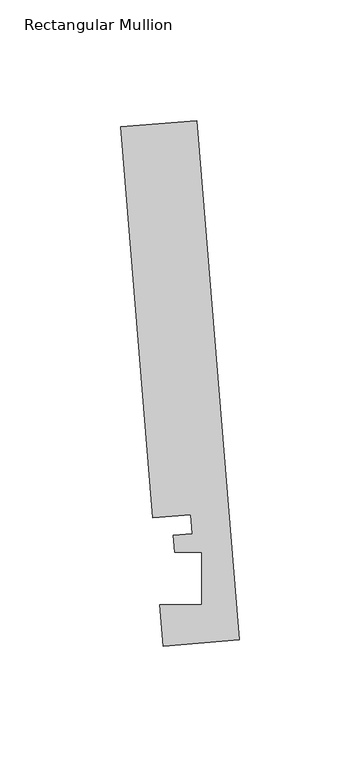
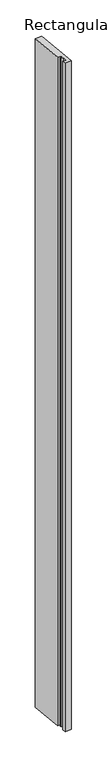
"""IFC4 building model written with IfcOpenShell, lengths in millimetres: member geometry, Rectangular Mullion."""

import ifcopenshell
import ifcopenshell.guid

model = None  # the IFC model being written
_history = None  # IfcOwnerHistory: only IFC2X3 demands one
_inside = {}  # id of a spatial element -> (the spatial element, [elements in it])
_under = {}  # id of a project, library or spatial element -> (it, [spatial elements below it])
_declared = {}  # id of a project -> (the project, [libraries it declares])
_typed = {}  # id of a type object -> (the type object, [elements of that type])
_made_of = {}  # id of a material, layer set ... -> (it, [elements and type objects made of it])


def new_model(schema):
    """Start an empty IFC model of exactly this schema.

    Asked for "IFC4X3", IfcOpenShell would pick the latest addendum, in which some entities
    have other attributes; the version numbers below select the first issue.
    IFC2X3 requires an IfcOwnerHistory on every rooted entity: one is made here for all.
    """
    global model, _history
    if schema == "IFC4X3":
        model = ifcopenshell.file(schema_version=(4, 3, 0, 0))
    else:
        model = ifcopenshell.file(schema=schema)
    _inside.clear()
    _under.clear()
    _declared.clear()
    _typed.clear()
    _made_of.clear()
    _history = None
    if model.schema == "IFC2X3":
        org = make("IfcOrganization", Name="unknown")
        user = make(
            "IfcPersonAndOrganization",
            ThePerson=make("IfcPerson", FamilyName="unknown"),
            TheOrganization=org,
        )
        app = make(
            "IfcApplication",
            ApplicationDeveloper=org,
            Version="unknown",
            ApplicationFullName="unknown",
            ApplicationIdentifier="unknown",
        )
        _history = make(
            "IfcOwnerHistory",
            OwningUser=user,
            OwningApplication=app,
            ChangeAction="ADDED",
            CreationDate=0,
        )
    return model


def make(cls, **values):
    """One entity of the class cls with the attributes given. An attribute that is None is left unset."""
    return model.create_entity(
        cls, **{name: value for name, value in values.items() if value is not None}
    )


def rooted(cls, **values):
    """An entity with a GlobalId (a new one), such as an element, a storey or a relation."""
    return make(cls, GlobalId=ifcopenshell.guid.new(), OwnerHistory=_history, **values)


def si_unit(unit_type, name, prefix=None):
    """IfcSIUnit, for example si_unit("LENGTHUNIT", "METRE", prefix="MILLI")."""
    return make("IfcSIUnit", UnitType=unit_type, Prefix=prefix, Name=name)


def assignment(units):
    """IfcUnitAssignment: the units of a project."""
    return None if units is None else make("IfcUnitAssignment", Units=units)


def point(xyz):
    """IfcCartesianPoint."""
    return None if xyz is None else make("IfcCartesianPoint", Coordinates=xyz)


def direction(xyz):
    """IfcDirection."""
    return None if xyz is None else make("IfcDirection", DirectionRatios=xyz)


def frame(location, z_axis=None, x_axis=None):
    """IfcAxis2Placement3D, a coordinate frame: its origin and axes. An axis left out is left unset."""
    return make(
        "IfcAxis2Placement3D",
        Location=point(location),
        Axis=direction(z_axis),
        RefDirection=direction(x_axis),
    )


def origin():
    """The frame at (0, 0, 0) with its axes left unset."""
    return frame((0.0, 0.0, 0.0))


def place(relative_to, where):
    """IfcLocalPlacement: puts the frame where relative to a parent placement (None: the world)."""
    return make(
        "IfcLocalPlacement", PlacementRelTo=relative_to, RelativePlacement=where
    )


def context(
    kind, dimensions, precision=None, world=None, true_north=None, identifier=None
):
    """IfcGeometricRepresentationContext, for example the 3D "Model" context."""
    return make(
        "IfcGeometricRepresentationContext",
        ContextIdentifier=identifier,
        ContextType=kind,
        CoordinateSpaceDimension=dimensions,
        Precision=precision,
        WorldCoordinateSystem=world,
        TrueNorth=true_north,
    )


def project(units=None, contexts=None):
    """IfcProject with its units and contexts."""
    return rooted(
        "IfcProject",
        Name="project",
        RepresentationContexts=contexts,
        UnitsInContext=assignment(units),
    )


def spatial(cls, under=None, at=None, **own):
    """A site, building, storey or space (cls), placed at a placement, below another one or the project."""
    s = rooted(cls, ObjectPlacement=at, **own)
    if under is not None:
        _under.setdefault(under.id(), (under, []))[1].append(s)
    return s


def polyline(points):
    """IfcPolyline through the points."""
    return make("IfcPolyline", Points=[point(p) for p in points])


def outline(outer, holes=None, kind="AREA"):
    """IfcArbitraryClosedProfileDef: a profile drawn as a closed curve; with holes, ...WithVoids."""
    if holes is None:
        return make("IfcArbitraryClosedProfileDef", ProfileType=kind, OuterCurve=outer)
    return make(
        "IfcArbitraryProfileDefWithVoids",
        ProfileType=kind,
        OuterCurve=outer,
        InnerCurves=holes,
    )


def extrude(swept, where, along, depth):
    """IfcExtrudedAreaSolid: the profile swept, set in the frame where, extruded along a direction by depth."""
    return make(
        "IfcExtrudedAreaSolid",
        SweptArea=swept,
        Position=where,
        ExtrudedDirection=direction(along),
        Depth=depth,
    )


def shape(context_of_items, identifier, shape_type, items):
    """IfcShapeRepresentation: the items that make up one representation, for example the "Body"."""
    return make(
        "IfcShapeRepresentation",
        ContextOfItems=context_of_items,
        RepresentationIdentifier=identifier,
        RepresentationType=shape_type,
        Items=items,
    )


def source(mapping_origin, context_of_items, identifier, shape_type, items):
    """IfcRepresentationMap: a shape defined once, which mapped items show again and again."""
    return make(
        "IfcRepresentationMap",
        MappingOrigin=mapping_origin,
        MappedRepresentation=shape(context_of_items, identifier, shape_type, items),
    )


def transform(
    local_origin,
    x_axis=None,
    y_axis=None,
    z_axis=None,
    scale=None,
    scale2=None,
    scale3=None,
    uniform=True,
):
    """IfcCartesianTransformationOperator3D, or its non-uniform kind. x_axis, y_axis, z_axis: its Axis1, 2, 3."""
    if uniform:
        return make(
            "IfcCartesianTransformationOperator3D",
            Axis1=direction(x_axis),
            Axis2=direction(y_axis),
            LocalOrigin=point(local_origin),
            Scale=scale,
            Axis3=direction(z_axis),
        )
    return make(
        "IfcCartesianTransformationOperator3DnonUniform",
        Axis1=direction(x_axis),
        Axis2=direction(y_axis),
        LocalOrigin=point(local_origin),
        Scale=scale,
        Axis3=direction(z_axis),
        Scale2=scale2,
        Scale3=scale3,
    )


def mapped(mapping_source, mapping_target):
    """IfcMappedItem: shows the shape of a source again, moved by a transform."""
    return make(
        "IfcMappedItem", MappingSource=mapping_source, MappingTarget=mapping_target
    )


def made_of(thing, what):
    """Note that an element or type object is made of a material, layer set ...; save() writes the relation."""
    if what is not None:
        _made_of.setdefault(what.id(), (what, []))[1].append(thing)
    return thing


def element(
    cls,
    number,
    at=None,
    inside=None,
    cuts=None,
    type_object=None,
    material=None,
    context=None,
    identifier="Body",
    shape_type=None,
    held_by="IfcProductDefinitionShape",
    body=None,
    shapes=None,
    **own,
):
    """One element of the class cls, such as IfcWall. Its Tag is "e" and its number.

    at: its placement. inside: the storey or other place that contains it. cuts: it is an
    opening in that element (IfcRelVoidsElement). A single representation is given by context,
    identifier, shape_type and body (its items); several are given by shapes. held_by: the class
    of the entity that holds the representations. save() writes the other relations.
    """
    e = rooted(cls, Tag="e%d" % number, ObjectPlacement=at, **own)
    if body is not None:
        shapes = [shape(context, identifier, shape_type, body)]
    if shapes is not None:
        e.Representation = make(held_by, Representations=shapes)
    if inside is not None:
        _inside.setdefault(inside.id(), (inside, []))[1].append(e)
    if cuts is not None:
        rooted(
            "IfcRelVoidsElement", RelatingBuildingElement=cuts, RelatedOpeningElement=e
        )
    if type_object is not None:
        _typed.setdefault(type_object.id(), (type_object, []))[1].append(e)
    return made_of(e, material)


def aggregate(whole, parts):
    """IfcRelAggregates: a whole, such as a stair, and the parts it consists of."""
    return rooted("IfcRelAggregates", RelatingObject=whole, RelatedObjects=parts)


def save(model, path):
    """Write the relations noted so far, then the file.

    IfcRelAggregates (storeys below a building ...), IfcRelContainedInSpatialStructure (elements
    in a storey), IfcRelDefinesByType, IfcRelAssociatesMaterial and IfcRelDeclares: one each for
    every whole, place, type object, material and project.
    """
    for whole, parts in _under.values():
        aggregate(whole, parts)
    for where, things in _inside.values():
        rooted(
            "IfcRelContainedInSpatialStructure",
            RelatedElements=things,
            RelatingStructure=where,
        )
    for kind, things in _typed.values():
        rooted("IfcRelDefinesByType", RelatedObjects=things, RelatingType=kind)
    for what, things in _made_of.values():
        rooted("IfcRelAssociatesMaterial", RelatedObjects=things, RelatingMaterial=what)
    for by, libraries in _declared.values():
        rooted("IfcRelDeclares", RelatingContext=by, RelatedDefinitions=libraries)
    model.write(path)


def rectangular_mullion_760dc2f9(model_context):
    return source(origin(), model_context, "Body", "SweptSolid", [
        extrude(outline(polyline([(-0.2190396, 2.6699364), (-31.8627302, 0.0739116), (-33.2772473, 17.315866), (-15.8506254, 17.315866), (-15.848851, 38.9474576), (-27.100463, 38.9474576), (-27.6861262, 46.0862742), (-19.7625461, 46.7363188), (-20.4084371, 54.6092691), (-36.2302824, 53.3112566), (-49.5364672, 215.5041572), (-17.8927766, 218.100182), (-0.2190396, 2.6699364)])), frame((0.0, 0.0, -3365.6439442), z_axis=(0.0, 0.0, 1.0), x_axis=(1.0, 0.0, 0.0)), (0.0, 0.0, 1.0), 3365.6439442),
    ])


if __name__ == "__main__":
    model = new_model("IFC4")
    model_context = context("Model", 3, world=origin())
    ifc_project = project(units=[si_unit("LENGTHUNIT", "METRE", prefix="MILLI")], contexts=[model_context])
    site = spatial("IfcSite", under=ifc_project)
    building = spatial("IfcBuilding", under=site)
    placement = place(None, origin())
    rectangular_mullion_shape = rectangular_mullion_760dc2f9(model_context)
    element("IfcMember", 1, ObjectType="Rectangular Mullion", at=placement, inside=building, context=model_context, shape_type="MappedRepresentation", body=[
        mapped(rectangular_mullion_shape, transform((0.0, 0.0, 0.0), x_axis=(1.0, 0.0, 0.0), y_axis=(0.0, 1.0, 0.0), z_axis=(0.0, 0.0, 1.0))),
    ])
    save(model, "model.ifc")
